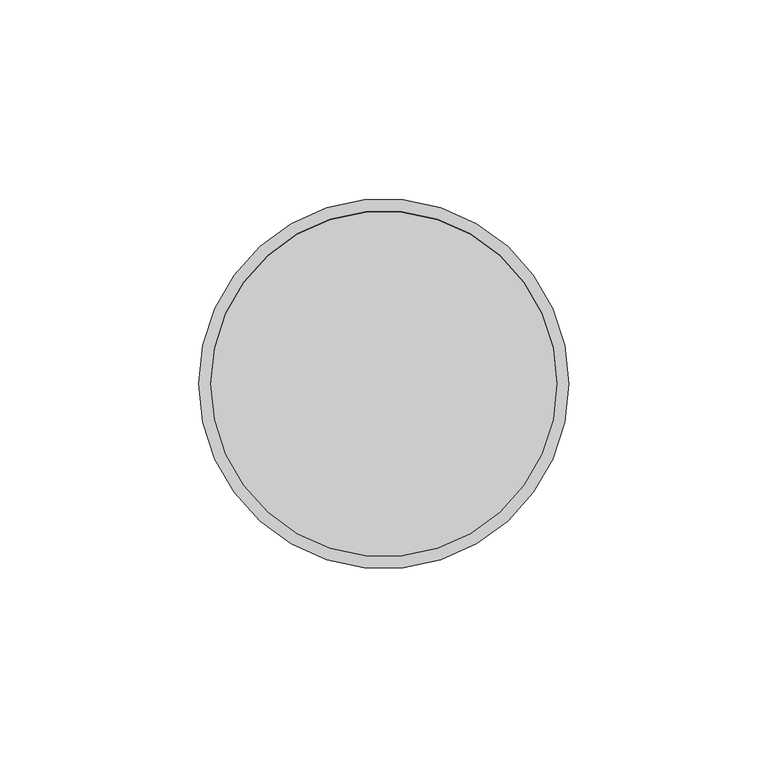
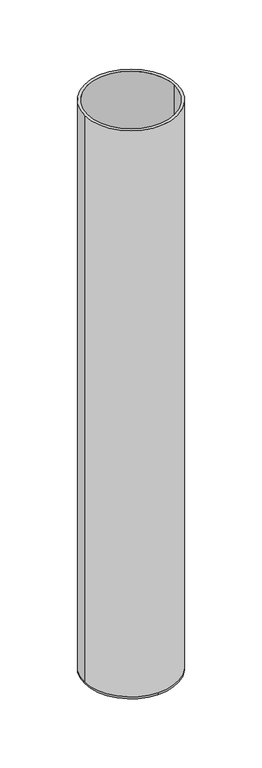
"""IFC4 building model written with IfcOpenShell, lengths in millimetres: beam geometry."""

from ifc_helpers import new_model, si_unit, frame, origin, place, context, project, spatial, polyline, circle_curve, source, transform, mapped, element, save
from ifc_brep_helpers import plane_surface, cylinder_surface, revolved_surface, advanced_brep


def beam_ebf96371(model_context):
    return source(origin(), model_context, "Body", "AdvancedBrep", [
        advanced_brep(
        [(46.5, 0.0, 0.0), (-46.5, 0.0, 0.0), (43.5, 0.0, 0.0), (-43.5, 0.0, 0.0), (43.5, 0.0, -598.0), (-43.5, 0.0, -598.0), (46.5, 0.0, -598.0), (0.0, 46.5, -598.0), (-46.5, 0.0, -598.0), (0.0, -46.5, -598.0), (0.0, 46.5, -600.0), (0.0, -46.5, -600.0)],
        [
            (0, 1, circle_curve(frame((0.0, 0.0, 0.0), z_axis=(0.0, 0.0, 1.0), x_axis=(-1.0, 0.0, 0.0)), 46.5)),
            (1, 0, circle_curve(frame((0.0, 0.0, 0.0), z_axis=(0.0, 0.0, 1.0), x_axis=(-1.0, 0.0, 0.0)), 46.5)),
            (2, 3, circle_curve(frame((0.0, 0.0, 0.0), z_axis=(0.0, 0.0, -1.0), x_axis=(-1.0, 0.0, 0.0)), 43.5)),
            (3, 2, circle_curve(frame((0.0, 0.0, 0.0), z_axis=(0.0, 0.0, -1.0), x_axis=(-1.0, 0.0, 0.0)), 43.5)),
            (2, 4),
            (4, 5, circle_curve(frame((0.0, 0.0, -598.0), z_axis=(0.0, 0.0, -1.0), x_axis=(-1.0, 0.0, 0.0)), 43.5)),
            (5, 3),
            (5, 4, circle_curve(frame((0.0, 0.0, -598.0), z_axis=(0.0, 0.0, -1.0), x_axis=(-1.0, 0.0, 0.0)), 43.5)),
            (0, 6),
            (6, 7, circle_curve(frame((0.0, 0.0, -598.0), z_axis=(0.0, 0.0, 1.0), x_axis=(-1.0, 0.0, 0.0)), 46.5)),
            (7, 8, circle_curve(frame((0.0, 0.0, -598.0), z_axis=(0.0, 0.0, 1.0), x_axis=(-1.0, 0.0, 0.0)), 46.5)),
            (8, 1),
            (8, 9, circle_curve(frame((0.0, 0.0, -598.0), z_axis=(0.0, 0.0, 1.0), x_axis=(-1.0, 0.0, 0.0)), 46.5)),
            (9, 6, circle_curve(frame((0.0, 0.0, -598.0), z_axis=(0.0, 0.0, 1.0), x_axis=(-1.0, 0.0, 0.0)), 46.5)),
            (10, 11, circle_curve(frame((0.0, 0.0, -600.0), z_axis=(0.0, 0.0, -1.0), x_axis=(0.0, -1.0, 0.0)), 46.5)),
            (11, 10, circle_curve(frame((0.0, 0.0, -600.0), z_axis=(0.0, 0.0, -1.0), x_axis=(0.0, -1.0, 0.0)), 46.5)),
            (11, 9),
            (7, 10),
        ],
        [
            plane_surface(frame((0.0, 0.0, 0.0), z_axis=(0.0, 0.0, 1.0), x_axis=(0.0, -1.0, 0.0))),
            revolved_surface(polyline([(-43.5, 0.0, 0.0), (-43.5, 0.0, -598.0)]), (0.0, 0.0, -598.0), (0.0, 0.0, 1.0)),
            cylinder_surface(frame((0.0, 0.0, -598.0), z_axis=(0.0, 0.0, -1.0), x_axis=(-1.0, 0.0, 0.0)), 46.5),
            plane_surface(frame((0.0, 0.0, -598.0), z_axis=(0.0, 0.0, 1.0), x_axis=(0.0, -1.0, 0.0))),
            plane_surface(frame((0.0, 0.0, -600.0), z_axis=(0.0, 0.0, -1.0), x_axis=(0.0, -1.0, 0.0))),
            cylinder_surface(frame((0.0, 0.0, -598.0), z_axis=(0.0, 0.0, 1.0), x_axis=(0.0, -1.0, 0.0)), 46.5),
        ],
        [
            (0, [[1, 2], [3, 4]]),
            (1, [[-3, 5, 6, 7]]),
            (1, [[-4, -7, 8, -5]]),
            (2, [[-1, 9, 10, 11, 12]]),
            (2, [[-2, -12, 13, 14, -9]]),
            (3, [[-6, -8]]),
            (4, [[15, 16]]),
            (5, [[-16, 17, -13, -11, 18]]),
            (5, [[-15, -18, -10, -14, -17]]),
        ],
    ),
    ])


if __name__ == "__main__":
    model = new_model("IFC4")
    model_context = context("Model", 3, world=origin())
    ifc_project = project(units=[si_unit("LENGTHUNIT", "METRE", prefix="MILLI")], contexts=[model_context])
    site = spatial("IfcSite", under=ifc_project)
    building = spatial("IfcBuilding", under=site)
    placement = place(None, origin())
    beam_shape = beam_ebf96371(model_context)
    element("IfcBeam", 1, at=placement, inside=building, context=model_context, shape_type="MappedRepresentation", body=[
        mapped(beam_shape, transform((0.0, 0.0, 0.0), x_axis=(1.0, 0.0, 0.0), y_axis=(0.0, 1.0, 0.0), z_axis=(0.0, 0.0, 1.0))),
    ])
    save(model, "model.ifc")
